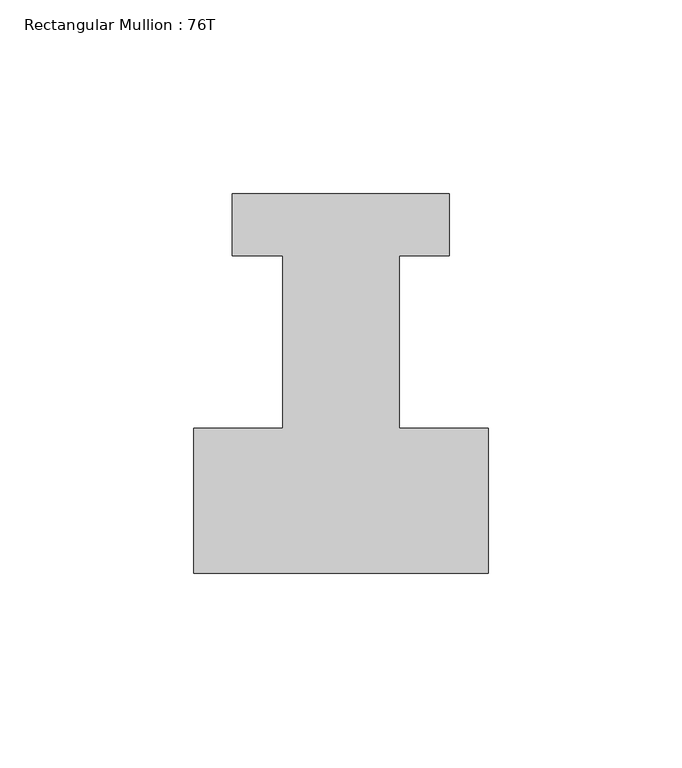
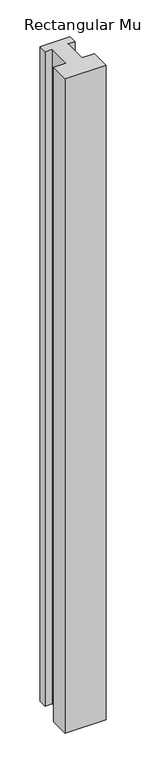
"""IFC4 building model written with IfcOpenShell, lengths in millimetres: member geometry, Rectangular Mullion : 76T."""

from ifc_helpers import new_model, si_unit, frame, origin, place, context, project, spatial, polyline, outline, extrude, source, transform, mapped, element, save


def rectangular_mullion_76t_d6c3e5ff(model_context):
    return source(origin(), model_context, "Body", "SweptSolid", [
        extrude(outline(polyline([(38.0, -38.0), (-38.0, -38.0), (-38.0, -0.5), (-15.0, -0.5), (-15.0, 44.0), (-28.0, 44.0), (-28.0, 60.0), (28.0, 60.0), (28.0, 44.0), (15.0, 44.0), (15.0, -0.5), (38.0, -0.5), (38.0, -38.0)])), frame((0.0, 0.0, -1286.0), z_axis=(0.0, 0.0, 1.0), x_axis=(1.0, 0.0, 0.0)), (0.0, 0.0, 1.0), 1286.0),
    ])


if __name__ == "__main__":
    model = new_model("IFC4")
    model_context = context("Model", 3, world=origin())
    ifc_project = project(units=[si_unit("LENGTHUNIT", "METRE", prefix="MILLI")], contexts=[model_context])
    site = spatial("IfcSite", under=ifc_project)
    building = spatial("IfcBuilding", under=site)
    placement = place(None, origin())
    rectangular_mullion_76t_shape = rectangular_mullion_76t_d6c3e5ff(model_context)
    element("IfcMember", 1, ObjectType="Rectangular Mullion : 76T", at=placement, inside=building, context=model_context, shape_type="MappedRepresentation", body=[
        mapped(rectangular_mullion_76t_shape, transform((0.0, 0.0, 0.0), x_axis=(1.0, 0.0, 0.0), y_axis=(0.0, 1.0, 0.0), z_axis=(0.0, 0.0, 1.0))),
    ])
    save(model, "model.ifc")
